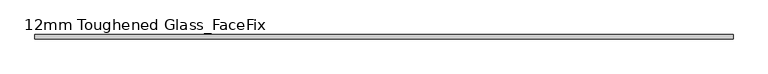
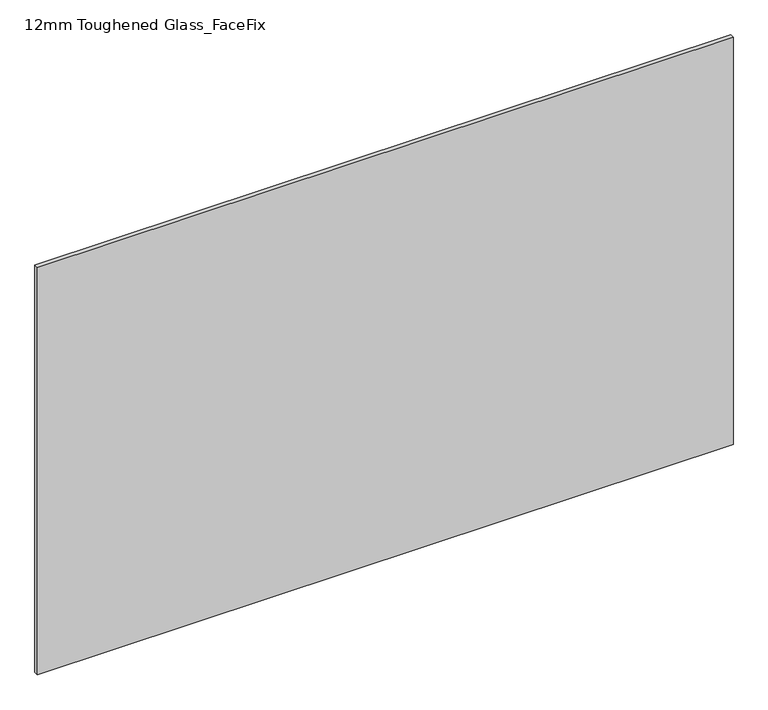
"""IFC4 building model written with IfcOpenShell, lengths in millimetres: plate geometry, 12mm Toughened Glass_FaceFix."""

from ifc_helpers import new_model, si_unit, origin, origin_with_axes, place, context, project, spatial, polyline, outline, extrude, source, transform, mapped, element, save


def plate_12mm_toughened_glass_facefix_ca393091(model_context):
    return source(origin(), model_context, "Body", "SweptSolid", [
        extrude(outline(polyline([(945.0000001, -26.0), (945.0000001, -38.0), (-945.0000001, -38.0), (-945.0000001, -26.0), (945.0000001, -26.0)])), origin_with_axes(), (0.0, 0.0, 1.0), 1170.0),
    ])


if __name__ == "__main__":
    model = new_model("IFC4")
    model_context = context("Model", 3, world=origin())
    ifc_project = project(units=[si_unit("LENGTHUNIT", "METRE", prefix="MILLI")], contexts=[model_context])
    site = spatial("IfcSite", under=ifc_project)
    building = spatial("IfcBuilding", under=site)
    placement = place(None, origin())
    plate_12mm_toughened_glass_facefix_shape = plate_12mm_toughened_glass_facefix_ca393091(model_context)
    element("IfcPlate", 1, ObjectType="12mm Toughened Glass_FaceFix", at=placement, inside=building, context=model_context, shape_type="MappedRepresentation", body=[
        mapped(plate_12mm_toughened_glass_facefix_shape, transform((0.0, 0.0, 0.0), x_axis=(1.0, 0.0, 0.0), y_axis=(0.0, 1.0, 0.0), z_axis=(0.0, 0.0, 1.0))),
    ])
    save(model, "model.ifc")
